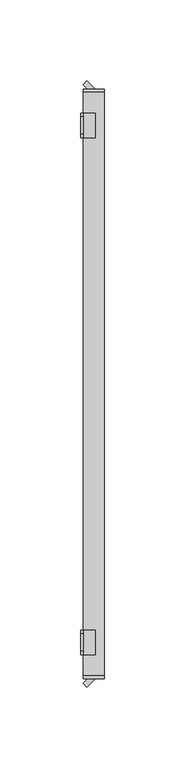
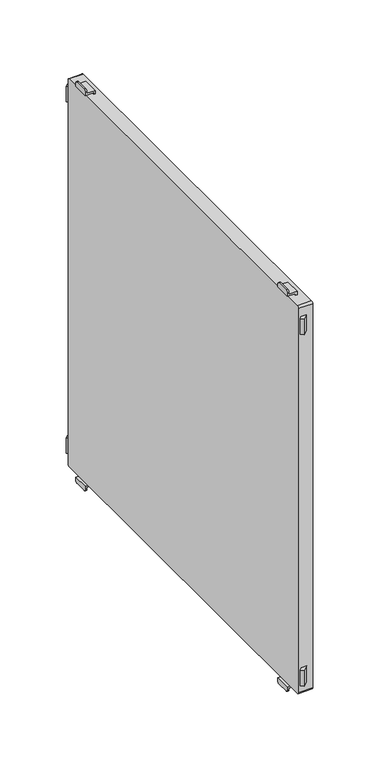
"""IFC4 building model written with IfcOpenShell, lengths in millimetres: furniture geometry."""

import ifcopenshell
import ifcopenshell.guid

model = None  # the IFC model being written
_history = None  # IfcOwnerHistory: only IFC2X3 demands one
_inside = {}  # id of a spatial element -> (the spatial element, [elements in it])
_under = {}  # id of a project, library or spatial element -> (it, [spatial elements below it])
_declared = {}  # id of a project -> (the project, [libraries it declares])
_typed = {}  # id of a type object -> (the type object, [elements of that type])
_made_of = {}  # id of a material, layer set ... -> (it, [elements and type objects made of it])


def new_model(schema):
    """Start an empty IFC model of exactly this schema.

    Asked for "IFC4X3", IfcOpenShell would pick the latest addendum, in which some entities
    have other attributes; the version numbers below select the first issue.
    IFC2X3 requires an IfcOwnerHistory on every rooted entity: one is made here for all.
    """
    global model, _history
    if schema == "IFC4X3":
        model = ifcopenshell.file(schema_version=(4, 3, 0, 0))
    else:
        model = ifcopenshell.file(schema=schema)
    _inside.clear()
    _under.clear()
    _declared.clear()
    _typed.clear()
    _made_of.clear()
    _history = None
    if model.schema == "IFC2X3":
        org = make("IfcOrganization", Name="unknown")
        user = make(
            "IfcPersonAndOrganization",
            ThePerson=make("IfcPerson", FamilyName="unknown"),
            TheOrganization=org,
        )
        app = make(
            "IfcApplication",
            ApplicationDeveloper=org,
            Version="unknown",
            ApplicationFullName="unknown",
            ApplicationIdentifier="unknown",
        )
        _history = make(
            "IfcOwnerHistory",
            OwningUser=user,
            OwningApplication=app,
            ChangeAction="ADDED",
            CreationDate=0,
        )
    return model


def make(cls, **values):
    """One entity of the class cls with the attributes given. An attribute that is None is left unset."""
    return model.create_entity(
        cls, **{name: value for name, value in values.items() if value is not None}
    )


def rooted(cls, **values):
    """An entity with a GlobalId (a new one), such as an element, a storey or a relation."""
    return make(cls, GlobalId=ifcopenshell.guid.new(), OwnerHistory=_history, **values)


def si_unit(unit_type, name, prefix=None):
    """IfcSIUnit, for example si_unit("LENGTHUNIT", "METRE", prefix="MILLI")."""
    return make("IfcSIUnit", UnitType=unit_type, Prefix=prefix, Name=name)


def assignment(units):
    """IfcUnitAssignment: the units of a project."""
    return None if units is None else make("IfcUnitAssignment", Units=units)


def point(xyz):
    """IfcCartesianPoint."""
    return None if xyz is None else make("IfcCartesianPoint", Coordinates=xyz)


def direction(xyz):
    """IfcDirection."""
    return None if xyz is None else make("IfcDirection", DirectionRatios=xyz)


def frame(location, z_axis=None, x_axis=None):
    """IfcAxis2Placement3D, a coordinate frame: its origin and axes. An axis left out is left unset."""
    return make(
        "IfcAxis2Placement3D",
        Location=point(location),
        Axis=direction(z_axis),
        RefDirection=direction(x_axis),
    )


def frame_2d(location, x_axis=None):
    """IfcAxis2Placement2D, a coordinate frame in the plane: its origin and x axis."""
    return make(
        "IfcAxis2Placement2D", Location=point(location), RefDirection=direction(x_axis)
    )


def origin():
    """The frame at (0, 0, 0) with its axes left unset."""
    return frame((0.0, 0.0, 0.0))


def place(relative_to, where):
    """IfcLocalPlacement: puts the frame where relative to a parent placement (None: the world)."""
    return make(
        "IfcLocalPlacement", PlacementRelTo=relative_to, RelativePlacement=where
    )


def context(
    kind, dimensions, precision=None, world=None, true_north=None, identifier=None
):
    """IfcGeometricRepresentationContext, for example the 3D "Model" context."""
    return make(
        "IfcGeometricRepresentationContext",
        ContextIdentifier=identifier,
        ContextType=kind,
        CoordinateSpaceDimension=dimensions,
        Precision=precision,
        WorldCoordinateSystem=world,
        TrueNorth=true_north,
    )


def project(units=None, contexts=None):
    """IfcProject with its units and contexts."""
    return rooted(
        "IfcProject",
        Name="project",
        RepresentationContexts=contexts,
        UnitsInContext=assignment(units),
    )


def spatial(cls, under=None, at=None, **own):
    """A site, building, storey or space (cls), placed at a placement, below another one or the project."""
    s = rooted(cls, ObjectPlacement=at, **own)
    if under is not None:
        _under.setdefault(under.id(), (under, []))[1].append(s)
    return s


def polyline(points):
    """IfcPolyline through the points."""
    return make("IfcPolyline", Points=[point(p) for p in points])


def circle_curve(where, radius):
    """IfcCircle in the frame where."""
    return make("IfcCircle", Position=where, Radius=radius)


def trimmed(basis, trim1, trim2, sense, master):
    """IfcTrimmedCurve: the piece of a basis curve between two trims."""
    return make(
        "IfcTrimmedCurve",
        BasisCurve=basis,
        Trim1=trim1,
        Trim2=trim2,
        SenseAgreement=sense,
        MasterRepresentation=master,
    )


def segment(curve, same_sense, transition):
    """IfcCompositeCurveSegment."""
    return make(
        "IfcCompositeCurveSegment",
        Transition=transition,
        SameSense=same_sense,
        ParentCurve=curve,
    )


def composite_curve(segments, self_intersect=None):
    """IfcCompositeCurve: segments joined end to end."""
    return make("IfcCompositeCurve", Segments=segments, SelfIntersect=self_intersect)


def outline(outer, holes=None, kind="AREA"):
    """IfcArbitraryClosedProfileDef: a profile drawn as a closed curve; with holes, ...WithVoids."""
    if holes is None:
        return make("IfcArbitraryClosedProfileDef", ProfileType=kind, OuterCurve=outer)
    return make(
        "IfcArbitraryProfileDefWithVoids",
        ProfileType=kind,
        OuterCurve=outer,
        InnerCurves=holes,
    )


def extrude(swept, where, along, depth):
    """IfcExtrudedAreaSolid: the profile swept, set in the frame where, extruded along a direction by depth."""
    return make(
        "IfcExtrudedAreaSolid",
        SweptArea=swept,
        Position=where,
        ExtrudedDirection=direction(along),
        Depth=depth,
    )


def shape(context_of_items, identifier, shape_type, items):
    """IfcShapeRepresentation: the items that make up one representation, for example the "Body"."""
    return make(
        "IfcShapeRepresentation",
        ContextOfItems=context_of_items,
        RepresentationIdentifier=identifier,
        RepresentationType=shape_type,
        Items=items,
    )


def source(mapping_origin, context_of_items, identifier, shape_type, items):
    """IfcRepresentationMap: a shape defined once, which mapped items show again and again."""
    return make(
        "IfcRepresentationMap",
        MappingOrigin=mapping_origin,
        MappedRepresentation=shape(context_of_items, identifier, shape_type, items),
    )


def transform(
    local_origin,
    x_axis=None,
    y_axis=None,
    z_axis=None,
    scale=None,
    scale2=None,
    scale3=None,
    uniform=True,
):
    """IfcCartesianTransformationOperator3D, or its non-uniform kind. x_axis, y_axis, z_axis: its Axis1, 2, 3."""
    if uniform:
        return make(
            "IfcCartesianTransformationOperator3D",
            Axis1=direction(x_axis),
            Axis2=direction(y_axis),
            LocalOrigin=point(local_origin),
            Scale=scale,
            Axis3=direction(z_axis),
        )
    return make(
        "IfcCartesianTransformationOperator3DnonUniform",
        Axis1=direction(x_axis),
        Axis2=direction(y_axis),
        LocalOrigin=point(local_origin),
        Scale=scale,
        Axis3=direction(z_axis),
        Scale2=scale2,
        Scale3=scale3,
    )


def mapped(mapping_source, mapping_target):
    """IfcMappedItem: shows the shape of a source again, moved by a transform."""
    return make(
        "IfcMappedItem", MappingSource=mapping_source, MappingTarget=mapping_target
    )


def made_of(thing, what):
    """Note that an element or type object is made of a material, layer set ...; save() writes the relation."""
    if what is not None:
        _made_of.setdefault(what.id(), (what, []))[1].append(thing)
    return thing


def element(
    cls,
    number,
    at=None,
    inside=None,
    cuts=None,
    type_object=None,
    material=None,
    context=None,
    identifier="Body",
    shape_type=None,
    held_by="IfcProductDefinitionShape",
    body=None,
    shapes=None,
    **own,
):
    """One element of the class cls, such as IfcWall. Its Tag is "e" and its number.

    at: its placement. inside: the storey or other place that contains it. cuts: it is an
    opening in that element (IfcRelVoidsElement). A single representation is given by context,
    identifier, shape_type and body (its items); several are given by shapes. held_by: the class
    of the entity that holds the representations. save() writes the other relations.
    """
    e = rooted(cls, Tag="e%d" % number, ObjectPlacement=at, **own)
    if body is not None:
        shapes = [shape(context, identifier, shape_type, body)]
    if shapes is not None:
        e.Representation = make(held_by, Representations=shapes)
    if inside is not None:
        _inside.setdefault(inside.id(), (inside, []))[1].append(e)
    if cuts is not None:
        rooted(
            "IfcRelVoidsElement", RelatingBuildingElement=cuts, RelatedOpeningElement=e
        )
    if type_object is not None:
        _typed.setdefault(type_object.id(), (type_object, []))[1].append(e)
    return made_of(e, material)


def aggregate(whole, parts):
    """IfcRelAggregates: a whole, such as a stair, and the parts it consists of."""
    return rooted("IfcRelAggregates", RelatingObject=whole, RelatedObjects=parts)


def save(model, path):
    """Write the relations noted so far, then the file.

    IfcRelAggregates (storeys below a building ...), IfcRelContainedInSpatialStructure (elements
    in a storey), IfcRelDefinesByType, IfcRelAssociatesMaterial and IfcRelDeclares: one each for
    every whole, place, type object, material and project.
    """
    for whole, parts in _under.values():
        aggregate(whole, parts)
    for where, things in _inside.values():
        rooted(
            "IfcRelContainedInSpatialStructure",
            RelatedElements=things,
            RelatingStructure=where,
        )
    for kind, things in _typed.values():
        rooted("IfcRelDefinesByType", RelatedObjects=things, RelatingType=kind)
    for what, things in _made_of.values():
        rooted("IfcRelAssociatesMaterial", RelatedObjects=things, RelatingMaterial=what)
    for by, libraries in _declared.values():
        rooted("IfcRelDeclares", RelatingContext=by, RelatedDefinitions=libraries)
    model.write(path)


def plane_surface(at):
    """IfcPlane: the flat surface through the origin of the frame at, square to its z axis."""
    return make("IfcPlane", Position=at)


def cylinder_surface(at, radius):
    """IfcCylindricalSurface: all points at the distance radius from the z axis of the frame at."""
    return make("IfcCylindricalSurface", Position=at, Radius=radius)


def advanced_brep(points, edges, surfaces, faces):
    """IfcAdvancedBrep: a solid bounded by faces that lie on surfaces and meet in shared edges.

    An edge is (start, end): straight between two places in points (the first is 0);
    or (start, end, curve); or (start, end, curve, False) where it runs against its curve.
    A face is (place in surfaces, loops), or (place, loops, False) where it looks against
    its surface's normal. A loop lists edges by number (the first is 1), with a minus sign
    where the edge is run from its end to its start. The first loop is the outer one.
    """
    corners = [point(p) for p in points]
    vertices = [make("IfcVertexPoint", VertexGeometry=c) for c in corners]
    made = []
    for start, end, *more in edges:
        made.append(
            make(
                "IfcEdgeCurve",
                EdgeStart=vertices[start],
                EdgeEnd=vertices[end],
                EdgeGeometry=more[0] if more else make("IfcPolyline", Points=[corners[start], corners[end]]),
                SameSense=more[1] if len(more) > 1 else True,
            )
        )
    hull = []
    for where, loops, *sense in faces:
        bounds = []
        for j, loop in enumerate(loops):
            ring = [make("IfcOrientedEdge", EdgeElement=made[abs(k) - 1], Orientation=k > 0) for k in loop]
            bounds.append(
                make(
                    "IfcFaceOuterBound" if j == 0 else "IfcFaceBound",
                    Bound=make("IfcEdgeLoop", EdgeList=ring),
                    Orientation=True,
                )
            )
        hull.append(make("IfcAdvancedFace", Bounds=bounds, FaceSurface=surfaces[where], SameSense=sense[0] if sense else True))
    return make("IfcAdvancedBrep", Outer=make("IfcClosedShell", CfsFaces=hull))


def furniture_6083c8af(model_context):
    return source(origin(), model_context, "Body", "SolidModel", [
        advanced_brep(
        [(-197.0, -152.5, 515.5), (-197.0, -152.5, 517.0), (-197.0, -167.5, 517.0), (-197.0, -167.5, 515.5), (-197.0, -165.5, 513.5), (-197.0, -154.5, 513.5), (-198.5, -152.5, 518.5), (-198.5, -152.5, 515.5), (-198.5, -154.5, 513.5), (-198.5, -165.5, 513.5), (-198.5, -167.5, 515.5), (-198.5, -167.5, 518.5), (-191.0011497, -152.5, 518.5), (-191.0011497, -152.5, 520.0), (-189.5011497, -152.5, 520.0), (-189.5011497, -152.5, 517.0), (-189.5011497, -167.5, 517.0), (-189.5011497, -167.5, 520.0), (-191.0011497, -167.5, 520.0), (-191.0011497, -167.5, 518.5)],
        [
            (0, 1),
            (1, 2),
            (2, 3),
            (3, 4, circle_curve(frame((-197.0, -165.5, 515.5), z_axis=(1.0, 0.0, 0.0), x_axis=(0.0, -1.0, 0.0)), 2.0)),
            (4, 5),
            (5, 0, circle_curve(frame((-197.0, -154.5, 515.5), z_axis=(1.0, 0.0, 0.0), x_axis=(0.0, -1.0, 0.0)), 2.0)),
            (6, 7),
            (7, 8, circle_curve(frame((-198.5, -154.5, 515.5), z_axis=(-1.0, 0.0, 0.0), x_axis=(0.0, -1.0, 0.0)), 2.0)),
            (8, 9),
            (9, 10, circle_curve(frame((-198.5, -165.5, 515.5), z_axis=(-1.0, 0.0, 0.0), x_axis=(0.0, -1.0, 0.0)), 2.0)),
            (10, 11),
            (11, 6),
            (6, 12),
            (12, 13),
            (13, 14),
            (14, 15),
            (15, 1),
            (0, 7),
            (5, 8),
            (4, 9),
            (3, 10),
            (2, 16),
            (16, 17),
            (17, 18),
            (18, 19),
            (19, 11),
            (19, 12),
            (14, 17),
            (16, 15),
            (13, 18),
        ],
        [
            plane_surface(frame((-197.0, -152.5, 517.0), z_axis=(1.0, 0.0, 0.0), x_axis=(0.0, 0.0, -1.0))),
            plane_surface(frame((-198.5, -152.5, 517.0), z_axis=(-1.0, 0.0, 0.0), x_axis=(0.0, 0.0, 1.0))),
            plane_surface(frame((-197.0, -152.5, 518.5), z_axis=(0.0, 1.0, 0.0), x_axis=(-1.0, 0.0, 0.0))),
            cylinder_surface(frame((-198.5, -154.5, 515.5), z_axis=(1.0, 0.0, 0.0), x_axis=(0.0, -1.0, 0.0)), 2.0),
            plane_surface(frame((-197.0, -154.5, 513.5), z_axis=(0.0, 0.0, -1.0), x_axis=(-1.0, 0.0, 0.0))),
            cylinder_surface(frame((-198.5, -165.5, 515.5), z_axis=(1.0, 0.0, 0.0), x_axis=(0.0, -1.0, 0.0)), 2.0),
            plane_surface(frame((-197.0, -167.5, 515.5), z_axis=(0.0, -1.0, 0.0), x_axis=(-1.0, 0.0, 0.0))),
            plane_surface(frame((-197.0, -167.5, 518.5), z_axis=(0.0, 0.0, 1.0), x_axis=(-1.0, 0.0, 0.0))),
            plane_surface(frame((-189.5011497, -152.5, 517.0), z_axis=(1.0, 0.0, 0.0), x_axis=(0.0, -1.0, 0.0))),
            plane_surface(frame((-189.5011497, -152.5, 520.0), z_axis=(0.0, 0.0, 1.0), x_axis=(0.0, -1.0, 0.0))),
            plane_surface(frame((-191.0011497, -152.5, 520.0), z_axis=(-1.0, 0.0, 0.0), x_axis=(0.0, -1.0, 0.0))),
            plane_surface(frame((-197.0, -152.5, 517.0), z_axis=(0.0, 0.0, -1.0), x_axis=(0.0, -1.0, 0.0))),
        ],
        [
            (0, [[1, 2, 3, 4, 5, 6]]),
            (1, [[7, 8, 9, 10, 11, 12]]),
            (2, [[13, 14, 15, 16, 17, -1, 18, -7]]),
            (3, [[19, -8, -18, -6]]),
            (4, [[20, -9, -19, -5]]),
            (5, [[21, -10, -20, -4]]),
            (6, [[-21, -3, 22, 23, 24, 25, 26, -11]]),
            (7, [[27, -13, -12, -26]]),
            (8, [[28, -23, 29, -16]]),
            (9, [[30, -24, -28, -15]]),
            (10, [[-27, -25, -30, -14]]),
            (11, [[-29, -22, -2, -17]]),
        ],
    ),
        advanced_brep(
        [(-197.0, 167.5, 515.5), (-197.0, 167.5, 517.0), (-197.0, 152.5, 517.0), (-197.0, 152.5, 515.5), (-197.0, 154.5, 513.5), (-197.0, 165.5, 513.5), (-198.5, 152.5, 518.5), (-198.5, 167.5, 518.5), (-198.5, 167.5, 515.5), (-198.5, 165.5, 513.5), (-198.5, 154.5, 513.5), (-198.5, 152.5, 515.5), (-191.0011497, 152.5, 518.5), (-191.0011497, 167.5, 518.5), (-191.0011497, 167.5, 520.0), (-189.5011497, 167.5, 520.0), (-189.5011497, 167.5, 517.0), (-189.5011497, 152.5, 517.0), (-189.5011497, 152.5, 520.0), (-191.0011497, 152.5, 520.0)],
        [
            (0, 1),
            (1, 2),
            (2, 3),
            (3, 4, circle_curve(frame((-197.0, 154.5, 515.5), z_axis=(1.0, 0.0, 0.0), x_axis=(0.0, -1.0, 0.0)), 2.0)),
            (4, 5),
            (5, 0, circle_curve(frame((-197.0, 165.5, 515.5), z_axis=(1.0, 0.0, 0.0), x_axis=(0.0, -1.0, 0.0)), 2.0)),
            (6, 7),
            (7, 8),
            (8, 9, circle_curve(frame((-198.5, 165.5, 515.5), z_axis=(-1.0, 0.0, 0.0), x_axis=(0.0, -1.0, 0.0)), 2.0)),
            (9, 10),
            (10, 11, circle_curve(frame((-198.5, 154.5, 515.5), z_axis=(-1.0, 0.0, 0.0), x_axis=(0.0, -1.0, 0.0)), 2.0)),
            (11, 6),
            (6, 12),
            (12, 13),
            (13, 7),
            (13, 14),
            (14, 15),
            (15, 16),
            (16, 1),
            (0, 8),
            (5, 9),
            (4, 10),
            (3, 11),
            (2, 17),
            (17, 18),
            (18, 19),
            (19, 12),
            (17, 16),
            (15, 18),
            (14, 19),
        ],
        [
            plane_surface(frame((-197.0, -152.5, 517.0), z_axis=(1.0, 0.0, 0.0), x_axis=(0.0, 0.0, -1.0))),
            plane_surface(frame((-198.5, -152.5, 517.0), z_axis=(-1.0, 0.0, 0.0), x_axis=(0.0, 0.0, 1.0))),
            plane_surface(frame((-197.0, 152.5, 518.5), z_axis=(0.0, 0.0, 1.0), x_axis=(-1.0, 0.0, 0.0))),
            plane_surface(frame((-197.0, 167.5, 518.5), z_axis=(0.0, 1.0, 0.0), x_axis=(-1.0, 0.0, 0.0))),
            cylinder_surface(frame((-200.0, 165.5, 515.5), z_axis=(1.0, 0.0, 0.0), x_axis=(0.0, -1.0, 0.0)), 2.0),
            plane_surface(frame((-197.0, 165.5, 513.5), z_axis=(0.0, 0.0, -1.0), x_axis=(-1.0, 0.0, 0.0))),
            cylinder_surface(frame((-200.0, 154.5, 515.5), z_axis=(1.0, 0.0, 0.0), x_axis=(0.0, -1.0, 0.0)), 2.0),
            plane_surface(frame((-197.0, 152.5, 515.5), z_axis=(0.0, -1.0, 0.0), x_axis=(-1.0, 0.0, 0.0))),
            plane_surface(frame((-189.5011497, 152.5, 520.0), z_axis=(1.0, 0.0, 0.0), x_axis=(0.0, 1.0, 0.0))),
            plane_surface(frame((-191.0011497, 152.5, 520.0), z_axis=(0.0, 0.0, 1.0), x_axis=(0.0, 1.0, 0.0))),
            plane_surface(frame((-191.0011497, 152.5, 518.5), z_axis=(-1.0, 0.0, 0.0), x_axis=(0.0, 1.0, 0.0))),
            plane_surface(frame((-189.5011497, 152.5, 517.0), z_axis=(0.0, 0.0, -1.0), x_axis=(0.0, 1.0, 0.0))),
        ],
        [
            (0, [[1, 2, 3, 4, 5, 6]]),
            (1, [[7, 8, 9, 10, 11, 12]]),
            (2, [[13, 14, 15, -7]]),
            (3, [[-15, 16, 17, 18, 19, -1, 20, -8]]),
            (4, [[21, -9, -20, -6]]),
            (5, [[22, -10, -21, -5]]),
            (6, [[23, -11, -22, -4]]),
            (7, [[-23, -3, 24, 25, 26, 27, -13, -12]]),
            (8, [[28, -18, 29, -25]]),
            (9, [[-29, -17, 30, -26]]),
            (10, [[-30, -16, -14, -27]]),
            (11, [[-2, -19, -28, -24]]),
        ],
    ),
        advanced_brep(
        [(-197.0, -167.5, 899.5), (-197.0, -167.5, 898.0), (-197.0, -152.5, 898.0), (-197.0, -152.5, 899.5), (-197.0, -154.5, 901.5), (-197.0, -165.5, 901.5), (-198.5, -152.5, 896.5), (-198.5, -167.5, 896.5), (-198.5, -167.5, 899.5), (-198.5, -165.5, 901.5), (-198.5, -154.5, 901.5), (-198.5, -152.5, 899.5), (-189.5011497, -152.5, 898.0), (-189.5011497, -152.5, 895.0), (-191.0011497, -152.5, 895.0), (-191.0011497, -152.5, 896.5), (-189.5011497, -167.5, 898.0), (-191.0011497, -167.5, 896.5), (-191.0011497, -167.5, 895.0), (-189.5011497, -167.5, 895.0)],
        [
            (0, 1),
            (1, 2),
            (2, 3),
            (3, 4, circle_curve(frame((-197.0, -154.5, 899.5), z_axis=(1.0, 0.0, 0.0), x_axis=(0.0, -1.0, 0.0)), 2.0)),
            (4, 5),
            (5, 0, circle_curve(frame((-197.0, -165.5, 899.5), z_axis=(1.0, 0.0, 0.0), x_axis=(0.0, -1.0, 0.0)), 2.0)),
            (6, 7),
            (7, 8),
            (8, 9, circle_curve(frame((-198.5, -165.5, 899.5), z_axis=(-1.0, 0.0, 0.0), x_axis=(0.0, -1.0, 0.0)), 2.0)),
            (9, 10),
            (10, 11, circle_curve(frame((-198.5, -154.5, 899.5), z_axis=(-1.0, 0.0, 0.0), x_axis=(0.0, -1.0, 0.0)), 2.0)),
            (11, 6),
            (12, 13),
            (13, 14),
            (14, 15),
            (15, 6),
            (11, 3),
            (2, 12),
            (16, 1),
            (0, 8),
            (7, 17),
            (17, 18),
            (18, 19),
            (19, 16),
            (15, 17),
            (5, 9),
            (4, 10),
            (16, 12),
            (14, 18),
            (13, 19),
        ],
        [
            plane_surface(frame((-197.0, -152.5, 517.0), z_axis=(1.0, 0.0, 0.0), x_axis=(0.0, 0.0, -1.0))),
            plane_surface(frame((-198.5, -152.5, 517.0), z_axis=(-1.0, 0.0, 0.0), x_axis=(0.0, 0.0, 1.0))),
            plane_surface(frame((-197.0, -152.5, 518.5), z_axis=(0.0, 1.0, 0.0), x_axis=(-1.0, 0.0, 0.0))),
            plane_surface(frame((-197.0, -167.5, 515.5), z_axis=(0.0, -1.0, 0.0), x_axis=(-1.0, 0.0, 0.0))),
            plane_surface(frame((-197.0, -152.5, 896.5), z_axis=(0.0, 0.0, -1.0), x_axis=(-1.0, 0.0, 0.0))),
            cylinder_surface(frame((-200.0, -165.5, 899.5), z_axis=(1.0, 0.0, 0.0), x_axis=(0.0, -1.0, 0.0)), 2.0),
            plane_surface(frame((-197.0, -165.5, 901.5), z_axis=(0.0, 0.0, 1.0), x_axis=(-1.0, 0.0, 0.0))),
            cylinder_surface(frame((-200.0, -154.5, 899.5), z_axis=(1.0, 0.0, 0.0), x_axis=(0.0, -1.0, 0.0)), 2.0),
            plane_surface(frame((-189.5011497, -152.5, 898.0), z_axis=(0.0, 0.0, 1.0), x_axis=(0.0, -1.0, 0.0))),
            plane_surface(frame((-191.0011497, -152.5, 896.5), z_axis=(-1.0, 0.0, 0.0), x_axis=(0.0, -1.0, 0.0))),
            plane_surface(frame((-191.0011497, -152.5, 895.0), z_axis=(0.0, 0.0, -1.0), x_axis=(0.0, -1.0, 0.0))),
            plane_surface(frame((-189.5011497, -152.5, 895.0), z_axis=(1.0, 0.0, 0.0), x_axis=(0.0, -1.0, 0.0))),
        ],
        [
            (0, [[1, 2, 3, 4, 5, 6]]),
            (1, [[7, 8, 9, 10, 11, 12]]),
            (2, [[13, 14, 15, 16, -12, 17, -3, 18]]),
            (3, [[19, -1, 20, -8, 21, 22, 23, 24]]),
            (4, [[25, -21, -7, -16]]),
            (5, [[26, -9, -20, -6]]),
            (6, [[27, -10, -26, -5]]),
            (7, [[-17, -11, -27, -4]]),
            (8, [[-2, -19, 28, -18]]),
            (9, [[29, -22, -25, -15]]),
            (10, [[30, -23, -29, -14]]),
            (11, [[-28, -24, -30, -13]]),
        ],
    ),
        advanced_brep(
        [(-197.0, 152.5, 899.5), (-197.0, 152.5, 898.0), (-197.0, 167.5, 898.0), (-197.0, 167.5, 899.5), (-197.0, 165.5, 901.5), (-197.0, 154.5, 901.5), (-198.5, 152.5, 896.5), (-198.5, 152.5, 899.5), (-198.5, 154.5, 901.5), (-198.5, 165.5, 901.5), (-198.5, 167.5, 899.5), (-198.5, 167.5, 896.5), (-189.5011497, 167.5, 898.0), (-189.5011497, 167.5, 895.0), (-191.0011497, 167.5, 895.0), (-191.0011497, 167.5, 896.5), (-191.0011497, 152.5, 896.5), (-191.0011497, 152.5, 895.0), (-189.5011497, 152.5, 895.0), (-189.5011497, 152.5, 898.0)],
        [
            (0, 1),
            (1, 2),
            (2, 3),
            (3, 4, circle_curve(frame((-197.0, 165.5, 899.5), z_axis=(1.0, 0.0, 0.0), x_axis=(0.0, -1.0, 0.0)), 2.0)),
            (4, 5),
            (5, 0, circle_curve(frame((-197.0, 154.5, 899.5), z_axis=(1.0, 0.0, 0.0), x_axis=(0.0, -1.0, 0.0)), 2.0)),
            (6, 7),
            (7, 8, circle_curve(frame((-198.5, 154.5, 899.5), z_axis=(-1.0, 0.0, 0.0), x_axis=(0.0, -1.0, 0.0)), 2.0)),
            (8, 9),
            (9, 10, circle_curve(frame((-198.5, 165.5, 899.5), z_axis=(-1.0, 0.0, 0.0), x_axis=(0.0, -1.0, 0.0)), 2.0)),
            (10, 11),
            (11, 6),
            (10, 3),
            (2, 12),
            (12, 13),
            (13, 14),
            (14, 15),
            (15, 11),
            (6, 16),
            (16, 17),
            (17, 18),
            (18, 19),
            (19, 1),
            (0, 7),
            (5, 8),
            (4, 9),
            (15, 16),
            (19, 12),
            (14, 17),
            (13, 18),
        ],
        [
            plane_surface(frame((-197.0, -152.5, 517.0), z_axis=(1.0, 0.0, 0.0), x_axis=(0.0, 0.0, -1.0))),
            plane_surface(frame((-198.5, -152.5, 517.0), z_axis=(-1.0, 0.0, 0.0), x_axis=(0.0, 0.0, 1.0))),
            plane_surface(frame((-197.0, 167.5, 518.5), z_axis=(0.0, 1.0, 0.0), x_axis=(-1.0, 0.0, 0.0))),
            plane_surface(frame((-197.0, 152.5, 515.5), z_axis=(0.0, -1.0, 0.0), x_axis=(-1.0, 0.0, 0.0))),
            cylinder_surface(frame((-200.0, 154.5, 899.5), z_axis=(1.0, 0.0, 0.0), x_axis=(0.0, -1.0, 0.0)), 2.0),
            plane_surface(frame((-197.0, 154.5, 901.5), z_axis=(0.0, 0.0, 1.0), x_axis=(-1.0, 0.0, 0.0))),
            cylinder_surface(frame((-200.0, 165.5, 899.5), z_axis=(1.0, 0.0, 0.0), x_axis=(0.0, -1.0, 0.0)), 2.0),
            plane_surface(frame((-197.0, 167.5, 896.5), z_axis=(0.0, 0.0, -1.0), x_axis=(-1.0, 0.0, 0.0))),
            plane_surface(frame((-197.0, 152.5, 898.0), z_axis=(0.0, 0.0, 1.0), x_axis=(0.0, 1.0, 0.0))),
            plane_surface(frame((-191.0011497, 152.5, 895.0), z_axis=(-1.0, 0.0, 0.0), x_axis=(0.0, 1.0, 0.0))),
            plane_surface(frame((-189.5011497, 152.5, 895.0), z_axis=(0.0, 0.0, -1.0), x_axis=(0.0, 1.0, 0.0))),
            plane_surface(frame((-189.5011497, 152.5, 898.0), z_axis=(1.0, 0.0, 0.0), x_axis=(0.0, 1.0, 0.0))),
        ],
        [
            (0, [[1, 2, 3, 4, 5, 6]]),
            (1, [[7, 8, 9, 10, 11, 12]]),
            (2, [[13, -3, 14, 15, 16, 17, 18, -11]]),
            (3, [[19, 20, 21, 22, 23, -1, 24, -7]]),
            (4, [[25, -8, -24, -6]]),
            (5, [[26, -9, -25, -5]]),
            (6, [[-13, -10, -26, -4]]),
            (7, [[-18, 27, -19, -12]]),
            (8, [[28, -14, -2, -23]]),
            (9, [[-27, -17, 29, -20]]),
            (10, [[-29, -16, 30, -21]]),
            (11, [[-30, -15, -28, -22]]),
        ],
    ),
        extrude(outline(polyline([(-197.0, 185.3223305), (-194.6617401, 187.6605904), (-189.5011497, 182.5), (-194.1776695, 182.5), (-197.0, 185.3223305)])), frame((0.0, 0.0, 530.0), z_axis=(0.0, 0.0, 1.0), x_axis=(1.0, 0.0, 0.0)), (0.0, 0.0, 1.0), 15.0),
        extrude(outline(polyline([(-197.0, -185.3223305), (-194.1776695, -182.5), (-189.5011497, -182.5), (-194.6617401, -187.6605904), (-197.0, -185.3223305)])), frame((0.0, 0.0, 530.0), z_axis=(0.0, 0.0, 1.0), x_axis=(1.0, 0.0, 0.0)), (0.0, 0.0, 1.0), 15.0),
        extrude(outline(composite_curve([segment(trimmed(circle_curve(frame_2d((-180.7, 893.2)), 1.8), [point((-182.5, 893.2))], [point((-180.7, 895.0))], False, "CARTESIAN"), True, "CONTINUOUS"), segment(polyline([(-180.7, 895.0), (180.7, 895.0)]), True, "CONTINUOUS"), segment(trimmed(circle_curve(frame_2d((180.7, 893.2)), 1.8), [point((180.7, 895.0))], [point((182.5, 893.2))], False, "CARTESIAN"), True, "CONTINUOUS"), segment(polyline([(182.5, 893.2), (182.5, 521.8)]), True, "CONTINUOUS"), segment(trimmed(circle_curve(frame_2d((180.7, 521.8)), 1.8), [point((182.5, 521.8))], [point((180.7, 520.0))], False, "CARTESIAN"), True, "CONTINUOUS"), segment(polyline([(180.7, 520.0), (-180.7, 520.0)]), True, "CONTINUOUS"), segment(trimmed(circle_curve(frame_2d((-180.7, 521.8)), 1.8), [point((-180.7, 520.0))], [point((-182.5, 521.8))], False, "CARTESIAN"), True, "CONTINUOUS"), segment(polyline([(-182.5, 521.8), (-182.5, 893.2)]), True, "CONTINUOUS")], self_intersect=False)), frame((-197.0, 0.0, 0.0), z_axis=(1.0, 0.0, 0.0), x_axis=(0.0, 1.0, 0.0)), (0.0, 0.0, 1.0), 13.000205),
        extrude(outline(polyline([(-197.0, 185.3223305), (-194.6617401, 187.6605904), (-189.5011497, 182.5), (-194.1776695, 182.5), (-197.0, 185.3223305)])), frame((0.0, 0.0, 870.0), z_axis=(0.0, 0.0, 1.0), x_axis=(1.0, 0.0, 0.0)), (0.0, 0.0, 1.0), 15.0),
        extrude(outline(polyline([(-197.0, -185.3223305), (-194.1776695, -182.5), (-189.5011497, -182.5), (-194.6617401, -187.6605904), (-197.0, -185.3223305)])), frame((0.0, 0.0, 870.0), z_axis=(0.0, 0.0, 1.0), x_axis=(1.0, 0.0, 0.0)), (0.0, 0.0, 1.0), 15.0),
    ])


if __name__ == "__main__":
    model = new_model("IFC4")
    model_context = context("Model", 3, world=origin())
    ifc_project = project(units=[si_unit("LENGTHUNIT", "METRE", prefix="MILLI")], contexts=[model_context])
    site = spatial("IfcSite", under=ifc_project)
    building = spatial("IfcBuilding", under=site)
    placement = place(None, origin())
    furniture_shape = furniture_6083c8af(model_context)
    element("IfcFurniture", 1, at=placement, inside=building, context=model_context, shape_type="MappedRepresentation", body=[
        mapped(furniture_shape, transform((0.0, 0.0, 0.0), x_axis=(1.0, 0.0, 0.0), y_axis=(0.0, 1.0, 0.0), z_axis=(0.0, 0.0, 1.0))),
    ])
    save(model, "model.ifc")
